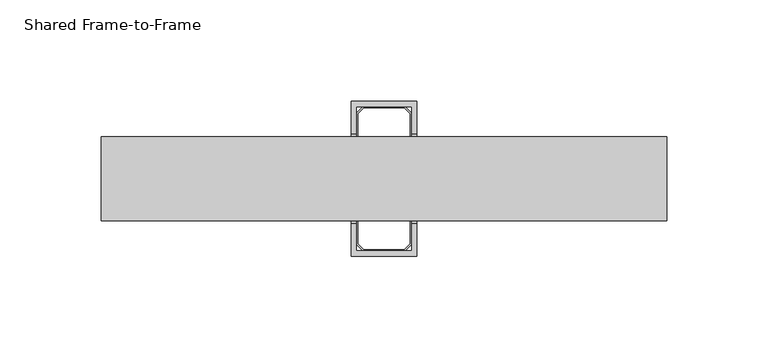
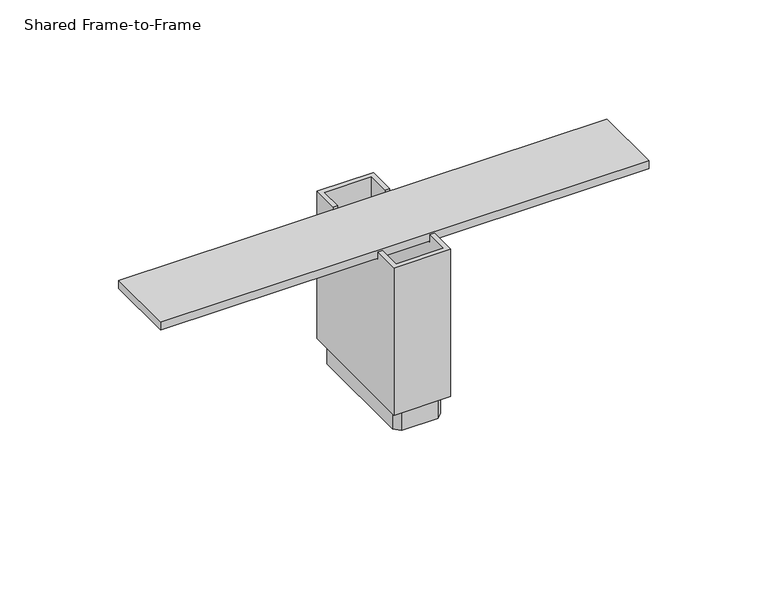
"""IFC4 building model written with IfcOpenShell, lengths in millimetres: furniture geometry, Shared Frame-to-Frame."""

from ifc_helpers import new_model, si_unit, frame, origin, origin_with_axes, place, context, project, spatial, polyline, outline, extrude, faceted_brep, source, transform, mapped, element, save


def shared_frame_to_frame_0031d636(model_context):
    return source(origin(), model_context, "Body", "SolidModel", [
        extrude(outline(polyline([(83.26755, 20.6375), (83.26755, -20.6375), (-195.24345, -20.6375), (-195.24345, 20.6375), (83.26755, 20.6375)])), frame((0.0, 0.0, 96.5962), z_axis=(0.0, 0.0, 1.0), x_axis=(1.0, 0.0, 0.0)), (0.0, 0.0, 1.0), 4.7498),
        faceted_brep([(-39.85895, 38.1, 101.6), (-72.11695, 38.1, 101.6), (-72.11695, 22.225, 101.6), (-69.57695, 22.225, 101.6), (-69.57695, 35.56, 101.6), (-42.39895, 35.56, 101.6), (-42.39895, 22.225, 101.6), (-39.85895, 22.225, 101.6), (-72.11695, -38.1, 101.6), (-39.85895, -38.1, 101.6), (-39.85895, -22.225, 101.6), (-42.39895, -22.225, 101.6), (-42.39895, -35.56, 101.6), (-69.57695, -35.56, 101.6), (-69.57695, -22.225, 101.6), (-72.11695, -22.225, 101.6), (-39.85895, 38.1, 12.7), (-39.85895, -38.1, 12.7), (-72.11695, -38.1, 12.7), (-72.11695, 38.1, 12.7), (-42.39895, 35.56, 12.7), (-69.57695, 35.56, 12.7), (-69.57695, -35.56, 12.7), (-42.39895, -35.56, 12.7), (-72.11695, -22.225, 96.5962), (-72.11695, 22.225, 96.5962), (-39.85895, 22.225, 96.5962), (-39.85895, -22.225, 96.5962), (-42.39895, -22.225, 96.5962), (-42.39895, 22.225, 96.5962), (-69.57695, 22.225, 96.5962), (-69.57695, -22.225, 96.5962)], [[[0, 1, 2, 3, 4, 5, 6, 7]], [[8, 9, 10, 11, 12, 13, 14, 15]], [[16, 17, 18, 19], [20, 21, 22, 23]], [[1, 0, 16, 19]], [[19, 18, 8, 15, 24, 25, 2, 1]], [[9, 8, 18, 17]], [[17, 16, 0, 7, 26, 27, 10, 9]], [[20, 23, 12, 11, 28, 29, 6, 5]], [[13, 12, 23, 22]], [[22, 21, 4, 3, 30, 31, 14, 13]], [[5, 4, 21, 20]], [[26, 29, 28, 27]], [[30, 25, 24, 31]], [[29, 26, 7, 6]], [[25, 30, 3, 2]], [[27, 28, 11, 10]], [[31, 24, 15, 14]]]),
        extrude(outline(polyline([(-45.57395, 35.56), (-42.39895, 32.385), (-42.39895, -32.385), (-45.57395, -35.56), (-66.40195, -35.56), (-69.57695, -32.385), (-69.57695, 32.385), (-66.40195, 35.56), (-45.57395, 35.56)]), holes=[polyline([(-43.1927, 32.056218), (-45.902732, 34.76625), (-66.073168, 34.76625), (-68.7832, 32.056218), (-68.7832, -32.056218), (-66.073168, -34.76625), (-45.902732, -34.76625), (-43.1927, -32.056218), (-43.1927, 32.056218)])]), origin_with_axes(), (0.0, 0.0, 1.0), 12.7),
    ])


if __name__ == "__main__":
    model = new_model("IFC4")
    model_context = context("Model", 3, world=origin())
    ifc_project = project(units=[si_unit("LENGTHUNIT", "METRE", prefix="MILLI")], contexts=[model_context])
    site = spatial("IfcSite", under=ifc_project)
    building = spatial("IfcBuilding", under=site)
    placement = place(None, origin())
    shared_frame_to_frame_shape = shared_frame_to_frame_0031d636(model_context)
    element("IfcFurniture", 1, ObjectType="Shared Frame-to-Frame", at=placement, inside=building, context=model_context, shape_type="MappedRepresentation", body=[
        mapped(shared_frame_to_frame_shape, transform((0.0, 0.0, 0.0), x_axis=(1.0, 0.0, 0.0), y_axis=(0.0, 1.0, 0.0), z_axis=(0.0, 0.0, 1.0))),
    ])
    save(model, "model.ifc")
